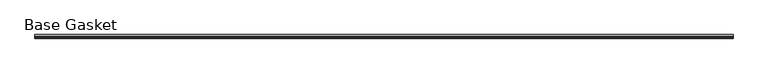
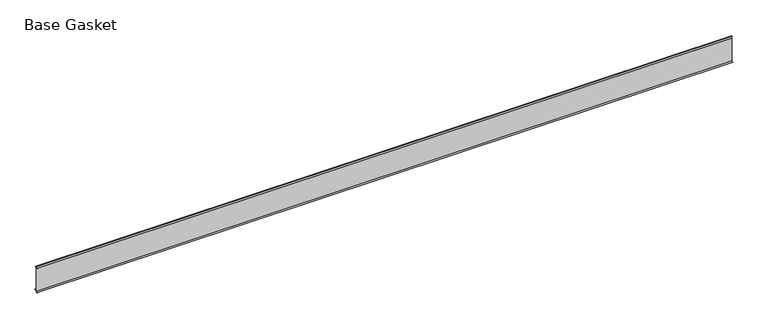
"""IFC4 building model written with IfcOpenShell, lengths in millimetres: furniture geometry, Base Gasket."""

import ifcopenshell
import ifcopenshell.guid

model = None  # the IFC model being written
_history = None  # IfcOwnerHistory: only IFC2X3 demands one
_inside = {}  # id of a spatial element -> (the spatial element, [elements in it])
_under = {}  # id of a project, library or spatial element -> (it, [spatial elements below it])
_declared = {}  # id of a project -> (the project, [libraries it declares])
_typed = {}  # id of a type object -> (the type object, [elements of that type])
_made_of = {}  # id of a material, layer set ... -> (it, [elements and type objects made of it])


def new_model(schema):
    """Start an empty IFC model of exactly this schema.

    Asked for "IFC4X3", IfcOpenShell would pick the latest addendum, in which some entities
    have other attributes; the version numbers below select the first issue.
    IFC2X3 requires an IfcOwnerHistory on every rooted entity: one is made here for all.
    """
    global model, _history
    if schema == "IFC4X3":
        model = ifcopenshell.file(schema_version=(4, 3, 0, 0))
    else:
        model = ifcopenshell.file(schema=schema)
    _inside.clear()
    _under.clear()
    _declared.clear()
    _typed.clear()
    _made_of.clear()
    _history = None
    if model.schema == "IFC2X3":
        org = make("IfcOrganization", Name="unknown")
        user = make(
            "IfcPersonAndOrganization",
            ThePerson=make("IfcPerson", FamilyName="unknown"),
            TheOrganization=org,
        )
        app = make(
            "IfcApplication",
            ApplicationDeveloper=org,
            Version="unknown",
            ApplicationFullName="unknown",
            ApplicationIdentifier="unknown",
        )
        _history = make(
            "IfcOwnerHistory",
            OwningUser=user,
            OwningApplication=app,
            ChangeAction="ADDED",
            CreationDate=0,
        )
    return model


def make(cls, **values):
    """One entity of the class cls with the attributes given. An attribute that is None is left unset."""
    return model.create_entity(
        cls, **{name: value for name, value in values.items() if value is not None}
    )


def rooted(cls, **values):
    """An entity with a GlobalId (a new one), such as an element, a storey or a relation."""
    return make(cls, GlobalId=ifcopenshell.guid.new(), OwnerHistory=_history, **values)


def si_unit(unit_type, name, prefix=None):
    """IfcSIUnit, for example si_unit("LENGTHUNIT", "METRE", prefix="MILLI")."""
    return make("IfcSIUnit", UnitType=unit_type, Prefix=prefix, Name=name)


def assignment(units):
    """IfcUnitAssignment: the units of a project."""
    return None if units is None else make("IfcUnitAssignment", Units=units)


def point(xyz):
    """IfcCartesianPoint."""
    return None if xyz is None else make("IfcCartesianPoint", Coordinates=xyz)


def direction(xyz):
    """IfcDirection."""
    return None if xyz is None else make("IfcDirection", DirectionRatios=xyz)


def frame(location, z_axis=None, x_axis=None):
    """IfcAxis2Placement3D, a coordinate frame: its origin and axes. An axis left out is left unset."""
    return make(
        "IfcAxis2Placement3D",
        Location=point(location),
        Axis=direction(z_axis),
        RefDirection=direction(x_axis),
    )


def origin():
    """The frame at (0, 0, 0) with its axes left unset."""
    return frame((0.0, 0.0, 0.0))


def place(relative_to, where):
    """IfcLocalPlacement: puts the frame where relative to a parent placement (None: the world)."""
    return make(
        "IfcLocalPlacement", PlacementRelTo=relative_to, RelativePlacement=where
    )


def context(
    kind, dimensions, precision=None, world=None, true_north=None, identifier=None
):
    """IfcGeometricRepresentationContext, for example the 3D "Model" context."""
    return make(
        "IfcGeometricRepresentationContext",
        ContextIdentifier=identifier,
        ContextType=kind,
        CoordinateSpaceDimension=dimensions,
        Precision=precision,
        WorldCoordinateSystem=world,
        TrueNorth=true_north,
    )


def project(units=None, contexts=None):
    """IfcProject with its units and contexts."""
    return rooted(
        "IfcProject",
        Name="project",
        RepresentationContexts=contexts,
        UnitsInContext=assignment(units),
    )


def spatial(cls, under=None, at=None, **own):
    """A site, building, storey or space (cls), placed at a placement, below another one or the project."""
    s = rooted(cls, ObjectPlacement=at, **own)
    if under is not None:
        _under.setdefault(under.id(), (under, []))[1].append(s)
    return s


def polyline(points):
    """IfcPolyline through the points."""
    return make("IfcPolyline", Points=[point(p) for p in points])


def outline(outer, holes=None, kind="AREA"):
    """IfcArbitraryClosedProfileDef: a profile drawn as a closed curve; with holes, ...WithVoids."""
    if holes is None:
        return make("IfcArbitraryClosedProfileDef", ProfileType=kind, OuterCurve=outer)
    return make(
        "IfcArbitraryProfileDefWithVoids",
        ProfileType=kind,
        OuterCurve=outer,
        InnerCurves=holes,
    )


def extrude(swept, where, along, depth):
    """IfcExtrudedAreaSolid: the profile swept, set in the frame where, extruded along a direction by depth."""
    return make(
        "IfcExtrudedAreaSolid",
        SweptArea=swept,
        Position=where,
        ExtrudedDirection=direction(along),
        Depth=depth,
    )


def shape(context_of_items, identifier, shape_type, items):
    """IfcShapeRepresentation: the items that make up one representation, for example the "Body"."""
    return make(
        "IfcShapeRepresentation",
        ContextOfItems=context_of_items,
        RepresentationIdentifier=identifier,
        RepresentationType=shape_type,
        Items=items,
    )


def source(mapping_origin, context_of_items, identifier, shape_type, items):
    """IfcRepresentationMap: a shape defined once, which mapped items show again and again."""
    return make(
        "IfcRepresentationMap",
        MappingOrigin=mapping_origin,
        MappedRepresentation=shape(context_of_items, identifier, shape_type, items),
    )


def transform(
    local_origin,
    x_axis=None,
    y_axis=None,
    z_axis=None,
    scale=None,
    scale2=None,
    scale3=None,
    uniform=True,
):
    """IfcCartesianTransformationOperator3D, or its non-uniform kind. x_axis, y_axis, z_axis: its Axis1, 2, 3."""
    if uniform:
        return make(
            "IfcCartesianTransformationOperator3D",
            Axis1=direction(x_axis),
            Axis2=direction(y_axis),
            LocalOrigin=point(local_origin),
            Scale=scale,
            Axis3=direction(z_axis),
        )
    return make(
        "IfcCartesianTransformationOperator3DnonUniform",
        Axis1=direction(x_axis),
        Axis2=direction(y_axis),
        LocalOrigin=point(local_origin),
        Scale=scale,
        Axis3=direction(z_axis),
        Scale2=scale2,
        Scale3=scale3,
    )


def mapped(mapping_source, mapping_target):
    """IfcMappedItem: shows the shape of a source again, moved by a transform."""
    return make(
        "IfcMappedItem", MappingSource=mapping_source, MappingTarget=mapping_target
    )


def made_of(thing, what):
    """Note that an element or type object is made of a material, layer set ...; save() writes the relation."""
    if what is not None:
        _made_of.setdefault(what.id(), (what, []))[1].append(thing)
    return thing


def element(
    cls,
    number,
    at=None,
    inside=None,
    cuts=None,
    type_object=None,
    material=None,
    context=None,
    identifier="Body",
    shape_type=None,
    held_by="IfcProductDefinitionShape",
    body=None,
    shapes=None,
    **own,
):
    """One element of the class cls, such as IfcWall. Its Tag is "e" and its number.

    at: its placement. inside: the storey or other place that contains it. cuts: it is an
    opening in that element (IfcRelVoidsElement). A single representation is given by context,
    identifier, shape_type and body (its items); several are given by shapes. held_by: the class
    of the entity that holds the representations. save() writes the other relations.
    """
    e = rooted(cls, Tag="e%d" % number, ObjectPlacement=at, **own)
    if body is not None:
        shapes = [shape(context, identifier, shape_type, body)]
    if shapes is not None:
        e.Representation = make(held_by, Representations=shapes)
    if inside is not None:
        _inside.setdefault(inside.id(), (inside, []))[1].append(e)
    if cuts is not None:
        rooted(
            "IfcRelVoidsElement", RelatingBuildingElement=cuts, RelatedOpeningElement=e
        )
    if type_object is not None:
        _typed.setdefault(type_object.id(), (type_object, []))[1].append(e)
    return made_of(e, material)


def aggregate(whole, parts):
    """IfcRelAggregates: a whole, such as a stair, and the parts it consists of."""
    return rooted("IfcRelAggregates", RelatingObject=whole, RelatedObjects=parts)


def save(model, path):
    """Write the relations noted so far, then the file.

    IfcRelAggregates (storeys below a building ...), IfcRelContainedInSpatialStructure (elements
    in a storey), IfcRelDefinesByType, IfcRelAssociatesMaterial and IfcRelDeclares: one each for
    every whole, place, type object, material and project.
    """
    for whole, parts in _under.values():
        aggregate(whole, parts)
    for where, things in _inside.values():
        rooted(
            "IfcRelContainedInSpatialStructure",
            RelatedElements=things,
            RelatingStructure=where,
        )
    for kind, things in _typed.values():
        rooted("IfcRelDefinesByType", RelatedObjects=things, RelatingType=kind)
    for what, things in _made_of.values():
        rooted("IfcRelAssociatesMaterial", RelatedObjects=things, RelatingMaterial=what)
    for by, libraries in _declared.values():
        rooted("IfcRelDeclares", RelatingContext=by, RelatedDefinitions=libraries)
    model.write(path)


def base_gasket_f6f9601b(model_context):
    return source(origin(), model_context, "Body", "SweptSolid", [
        extrude(outline(polyline([(-3.7283812, 98.4568417), (-1.1891543, 104.587663), (-0.6755308, 105.2002997), (-0.6755308, 104.4162708), (-2.2043812, 98.4568417), (-2.2043812, 96.8693477), (-1.4106313, 96.8693477), (-1.4106313, 71.4693447), (-2.2043812, 71.4693447), (-2.2043812, 7.9398773), (6.2405171, 7.9398773), (6.2405171, 6.3818476), (-2.1334222, 6.3818476), (-2.2043812, 4.3498477), (-6.8281054, 0.3520979), (-7.8482342, 0.0), (-7.4222115, 0.6560174), (-3.7283812, 4.3498477), (-3.7283812, 98.4568417)])), frame((-1527.8982117, 0.0, 0.0), z_axis=(1.0, 0.0, 0.0), x_axis=(0.0, 1.0, 0.0)), (0.0, 0.0, 1.0), 2716.2084771),
    ])


if __name__ == "__main__":
    model = new_model("IFC4")
    model_context = context("Model", 3, world=origin())
    ifc_project = project(units=[si_unit("LENGTHUNIT", "METRE", prefix="MILLI")], contexts=[model_context])
    site = spatial("IfcSite", under=ifc_project)
    building = spatial("IfcBuilding", under=site)
    placement = place(None, origin())
    base_gasket_shape = base_gasket_f6f9601b(model_context)
    element("IfcFurniture", 1, ObjectType="Base Gasket", at=placement, inside=building, context=model_context, shape_type="MappedRepresentation", body=[
        mapped(base_gasket_shape, transform((0.0, 0.0, 0.0), x_axis=(1.0, 0.0, 0.0), y_axis=(0.0, 1.0, 0.0), z_axis=(0.0, 0.0, 1.0))),
    ])
    save(model, "model.ifc")
